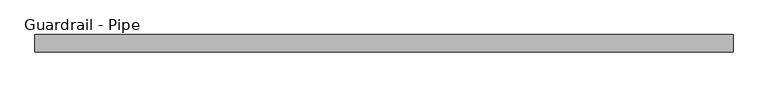
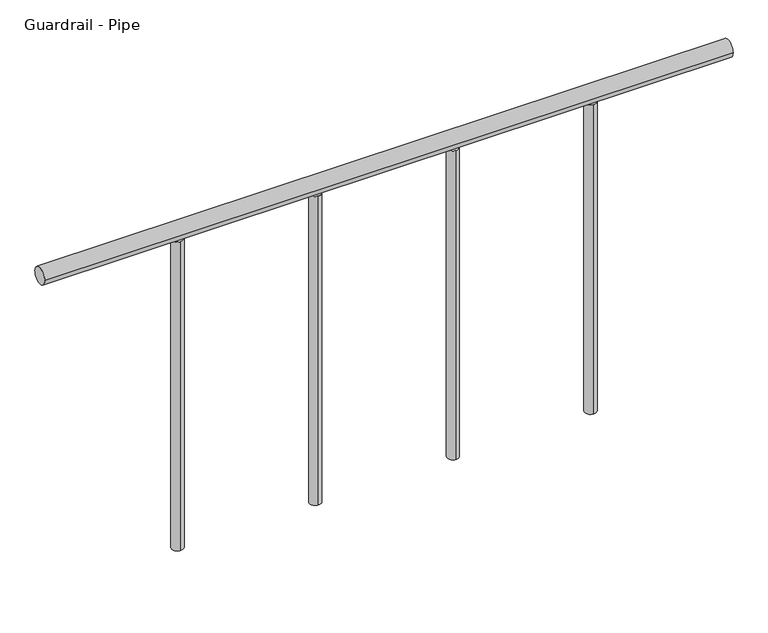
"""IFC4 building model written with IfcOpenShell, lengths in millimetres: railing geometry, Guardrail - Pipe."""

from ifc_helpers import new_model, si_unit, point, frame, frame_2d, origin, place, context, project, spatial, circle_curve, trimmed, segment, composite_curve, outline, extrude, source, transform, mapped, element, save


def guardrail_pipe_ef4b1d80(model_context):
    return source(origin(), model_context, "Body", "SweptSolid", [
        extrude(outline(composite_curve([segment(trimmed(circle_curve(frame_2d((-254558.7962721, 5518.15)), 19.05), [point((-254539.7462721, 5518.15))], [point((-254577.8462721, 5518.15))], False, "CARTESIAN"), True, "CONTINUOUS"), segment(trimmed(circle_curve(frame_2d((-254558.7962721, 5518.15)), 19.05), [point((-254577.8462721, 5518.15))], [point((-254539.7462721, 5518.15))], False, "CARTESIAN"), True, "CONTINUOUS")], self_intersect=False)), frame((306919.9457983, 0.0, 0.0), z_axis=(1.0, 0.0, 0.0), x_axis=(0.0, 1.0, 0.0)), (0.0, 0.0, 1.0), 1524.0),
        extrude(outline(composite_curve([segment(trimmed(circle_curve(frame_2d((308139.1457983, -254558.7962721)), 12.7), [point((308139.1457983, -254546.0962721))], [point((308139.1457983, -254571.4962721))], False, "CARTESIAN"), True, "CONTINUOUS"), segment(trimmed(circle_curve(frame_2d((308139.1457983, -254558.7962721)), 12.7), [point((308139.1457983, -254571.4962721))], [point((308139.1457983, -254546.0962721))], False, "CARTESIAN"), True, "CONTINUOUS")], self_intersect=False)), frame((0.0, 0.0, 4775.2), z_axis=(0.0, 0.0, 1.0), x_axis=(1.0, 0.0, 0.0)), (0.0, 0.0, 1.0), 723.9),
        extrude(outline(composite_curve([segment(trimmed(circle_curve(frame_2d((307834.3457983, -254558.7962721)), 12.7), [point((307834.3457983, -254546.0962721))], [point((307834.3457983, -254571.4962721))], False, "CARTESIAN"), True, "CONTINUOUS"), segment(trimmed(circle_curve(frame_2d((307834.3457983, -254558.7962721)), 12.7), [point((307834.3457983, -254571.4962721))], [point((307834.3457983, -254546.0962721))], False, "CARTESIAN"), True, "CONTINUOUS")], self_intersect=False)), frame((0.0, 0.0, 4775.2), z_axis=(0.0, 0.0, 1.0), x_axis=(1.0, 0.0, 0.0)), (0.0, 0.0, 1.0), 723.9),
        extrude(outline(composite_curve([segment(trimmed(circle_curve(frame_2d((307529.5457983, -254558.7962721)), 12.7), [point((307529.5457983, -254546.0962721))], [point((307529.5457983, -254571.4962721))], False, "CARTESIAN"), True, "CONTINUOUS"), segment(trimmed(circle_curve(frame_2d((307529.5457983, -254558.7962721)), 12.7), [point((307529.5457983, -254571.4962721))], [point((307529.5457983, -254546.0962721))], False, "CARTESIAN"), True, "CONTINUOUS")], self_intersect=False)), frame((0.0, 0.0, 4775.2), z_axis=(0.0, 0.0, 1.0), x_axis=(1.0, 0.0, 0.0)), (0.0, 0.0, 1.0), 723.9),
        extrude(outline(composite_curve([segment(trimmed(circle_curve(frame_2d((307224.7457983, -254558.7962721)), 12.7), [point((307224.7457983, -254546.0962721))], [point((307224.7457983, -254571.4962721))], False, "CARTESIAN"), True, "CONTINUOUS"), segment(trimmed(circle_curve(frame_2d((307224.7457983, -254558.7962721)), 12.7), [point((307224.7457983, -254571.4962721))], [point((307224.7457983, -254546.0962721))], False, "CARTESIAN"), True, "CONTINUOUS")], self_intersect=False)), frame((0.0, 0.0, 4775.2), z_axis=(0.0, 0.0, 1.0), x_axis=(1.0, 0.0, 0.0)), (0.0, 0.0, 1.0), 723.9),
    ])


if __name__ == "__main__":
    model = new_model("IFC4")
    model_context = context("Model", 3, world=origin())
    ifc_project = project(units=[si_unit("LENGTHUNIT", "METRE", prefix="MILLI")], contexts=[model_context])
    site = spatial("IfcSite", under=ifc_project)
    building = spatial("IfcBuilding", under=site)
    placement = place(None, origin())
    guardrail_pipe_shape = guardrail_pipe_ef4b1d80(model_context)
    element("IfcRailing", 1, ObjectType="Guardrail - Pipe", at=placement, inside=building, context=model_context, shape_type="MappedRepresentation", body=[
        mapped(guardrail_pipe_shape, transform((0.0, 0.0, 0.0), x_axis=(1.0, 0.0, 0.0), y_axis=(0.0, 1.0, 0.0), z_axis=(0.0, 0.0, 1.0))),
    ])
    save(model, "model.ifc")
